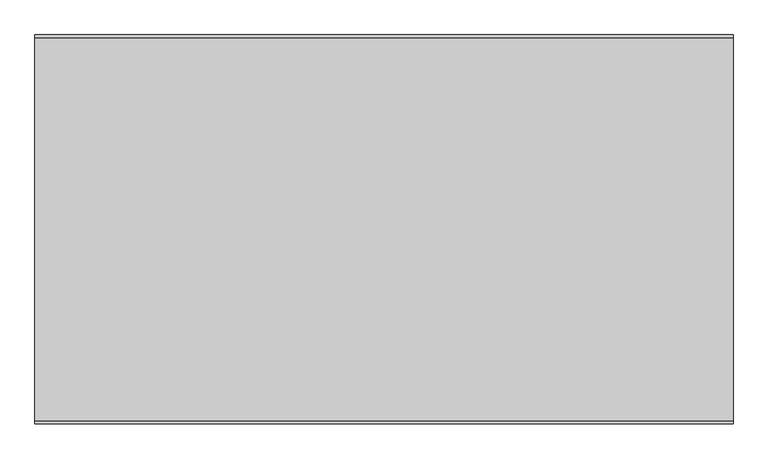
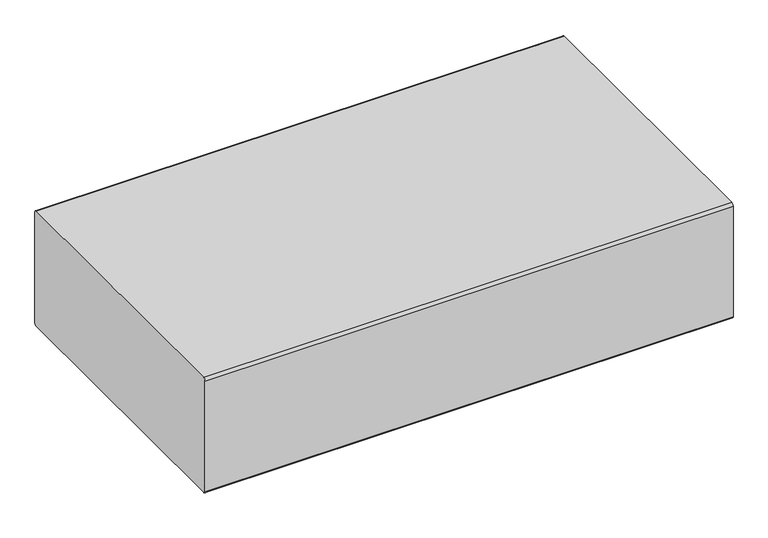
"""IFC4 building model written with IfcOpenShell, lengths in millimetres: furniture geometry."""

from ifc_helpers import new_model, si_unit, point, frame, frame_2d, origin, place, context, project, spatial, polyline, circle_curve, trimmed, segment, composite_curve, outline, extrude, faceted_brep, source, transform, mapped, element, save


def furniture_168f5087(model_context):
    return source(origin(), model_context, "Body", "SolidModel", [
        faceted_brep([(1486.637495, 327.8342493, 25.4000008), (1483.462489, 324.6592432, 25.4000008), (1483.462489, 280.2092311, 25.4000008), (1486.637495, 277.0342432, 25.4000008), (1531.087489, 277.0342432, 25.4000008), (1534.262495, 280.2092311, 25.4000008), (1534.262495, 324.6592432, 25.4000008), (1531.087489, 327.8342493, 25.4000008), (1534.262495, 331.0092372, 0.0), (1537.4374829, 327.8342493, 0.0), (1537.4374829, 277.0342432, 0.0), (1534.262495, 273.8592553, 0.0), (1483.462489, 273.8592553, 0.0), (1480.2874829, 277.0342432, 0.0), (1480.2874829, 327.8342493, 0.0), (1483.462489, 331.0092372, 0.0), (1486.637495, 327.8342493, 3.1750001), (1483.462489, 324.6592432, 3.1750001), (1483.462489, 280.2092311, 3.1750001), (1486.637495, 277.0342432, 3.1750001), (1531.087489, 277.0342432, 3.1750001), (1534.262495, 280.2092311, 3.1750001), (1534.262495, 324.6592432, 3.1750001), (1531.087489, 327.8342493, 3.1750001), (1534.262495, 331.0092372, 3.1750001), (1483.462489, 331.0092372, 3.1750001), (1480.2874829, 327.8342493, 3.1750001), (1480.2874829, 277.0342432, 3.1750001), (1483.462489, 273.8592553, 3.1750001), (1534.262495, 273.8592553, 3.1750001), (1537.4374829, 277.0342432, 3.1750001), (1537.4374829, 327.8342493, 3.1750001)], [[[0, 1, 2, 3, 4, 5, 6, 7]], [[8, 9, 10, 11, 12, 13, 14, 15]], [[1, 0, 16, 17]], [[2, 1, 17, 18]], [[3, 2, 18, 19]], [[4, 3, 19, 20]], [[5, 4, 20, 21]], [[6, 5, 21, 22]], [[7, 6, 22, 23]], [[0, 7, 23, 16]], [[24, 25, 26, 27, 28, 29, 30, 31], [17, 16, 23, 22, 21, 20, 19, 18]], [[25, 24, 8, 15]], [[26, 25, 15, 14]], [[27, 26, 14, 13]], [[28, 27, 13, 12]], [[29, 28, 12, 11]], [[30, 29, 11, 10]], [[31, 30, 10, 9]], [[24, 31, 9, 8]]]),
        faceted_brep([(261.087489, 327.8342493, 25.4000008), (257.9124829, 324.6592432, 25.4000008), (257.9124829, 280.2092311, 25.4000008), (261.087489, 277.0342432, 25.4000008), (305.5374829, 277.0342432, 25.4000008), (308.712489, 280.2092311, 25.4000008), (308.712489, 324.6592432, 25.4000008), (305.5374829, 327.8342493, 25.4000008), (308.712489, 331.0092372, 0.0), (311.8874769, 327.8342493, 0.0), (311.8874769, 277.0342432, 0.0), (308.712489, 273.8592553, 0.0), (257.9124829, 273.8592553, 0.0), (254.7374769, 277.0342432, 0.0), (254.7374769, 327.8342493, 0.0), (257.9124829, 331.0092372, 0.0), (261.087489, 327.8342493, 3.1750001), (257.9124829, 324.6592432, 3.1750001), (257.9124829, 280.2092311, 3.1750001), (261.087489, 277.0342432, 3.1750001), (305.5374829, 277.0342432, 3.1750001), (308.712489, 280.2092311, 3.1750001), (308.712489, 324.6592432, 3.1750001), (305.5374829, 327.8342493, 3.1750001), (308.712489, 331.0092372, 3.1750001), (257.9124829, 331.0092372, 3.1750001), (254.7374769, 327.8342493, 3.1750001), (254.7374769, 277.0342432, 3.1750001), (257.9124829, 273.8592553, 3.1750001), (308.712489, 273.8592553, 3.1750001), (311.8874769, 277.0342432, 3.1750001), (311.8874769, 327.8342493, 3.1750001)], [[[0, 1, 2, 3, 4, 5, 6, 7]], [[8, 9, 10, 11, 12, 13, 14, 15]], [[1, 0, 16, 17]], [[2, 1, 17, 18]], [[3, 2, 18, 19]], [[4, 3, 19, 20]], [[5, 4, 20, 21]], [[6, 5, 21, 22]], [[7, 6, 22, 23]], [[0, 7, 23, 16]], [[24, 25, 26, 27, 28, 29, 30, 31], [17, 16, 23, 22, 21, 20, 19, 18]], [[25, 24, 8, 15]], [[26, 25, 15, 14]], [[27, 26, 14, 13]], [[28, 27, 13, 12]], [[29, 28, 12, 11]], [[30, 29, 11, 10]], [[31, 30, 10, 9]], [[24, 31, 9, 8]]]),
        faceted_brep([(308.712489, -284.9407568, 3.1750001), (257.9124829, -284.9407568, 3.1750001), (254.7374769, -288.1157447, 3.1750001), (254.7374769, -338.9157507, 3.1750001), (257.9124829, -342.0907386, 3.1750001), (308.712489, -342.0907386, 3.1750001), (311.8874769, -338.9157507, 3.1750001), (311.8874769, -288.1157447, 3.1750001), (257.9124829, -291.2907507, 3.1750001), (261.087489, -288.1157447, 3.1750001), (305.5374829, -288.1157447, 3.1750001), (308.712489, -291.2907507, 3.1750001), (308.712489, -335.7407628, 3.1750001), (305.5374829, -338.9157507, 3.1750001), (261.087489, -338.9157507, 3.1750001), (257.9124829, -335.7407628, 3.1750001), (308.712489, -284.9407568, 0.0), (311.8874769, -288.1157447, 0.0), (311.8874769, -338.9157507, 0.0), (308.712489, -342.0907386, 0.0), (257.9124829, -342.0907386, 0.0), (254.7374769, -338.9157507, 0.0), (254.7374769, -288.1157447, 0.0), (257.9124829, -284.9407568, 0.0), (261.087489, -288.1157447, 25.4000008), (257.9124829, -291.2907507, 25.4000008), (257.9124829, -335.7407628, 25.4000008), (261.087489, -338.9157507, 25.4000008), (305.5374829, -338.9157507, 25.4000008), (308.712489, -335.7407628, 25.4000008), (308.712489, -291.2907507, 25.4000008), (305.5374829, -288.1157447, 25.4000008)], [[[0, 1, 2, 3, 4, 5, 6, 7], [8, 9, 10, 11, 12, 13, 14, 15]], [[16, 17, 18, 19, 20, 21, 22, 23]], [[1, 0, 16, 23]], [[2, 1, 23, 22]], [[3, 2, 22, 21]], [[4, 3, 21, 20]], [[5, 4, 20, 19]], [[6, 5, 19, 18]], [[7, 6, 18, 17]], [[0, 7, 17, 16]], [[24, 25, 26, 27, 28, 29, 30, 31]], [[25, 24, 9, 8]], [[26, 25, 8, 15]], [[27, 26, 15, 14]], [[28, 27, 14, 13]], [[29, 28, 13, 12]], [[30, 29, 12, 11]], [[31, 30, 11, 10]], [[24, 31, 10, 9]]]),
        faceted_brep([(1486.637495, -288.1157447, 25.4000008), (1483.462489, -291.2907507, 25.4000008), (1483.462489, -335.7407628, 25.4000008), (1486.637495, -338.9157507, 25.4000008), (1531.087489, -338.9157507, 25.4000008), (1534.262495, -335.7407628, 25.4000008), (1534.262495, -291.2907507, 25.4000008), (1531.087489, -288.1157447, 25.4000008), (1534.262495, -284.9407568, 0.0), (1537.4374829, -288.1157447, 0.0), (1537.4374829, -338.9157507, 0.0), (1534.262495, -342.0907386, 0.0), (1483.462489, -342.0907386, 0.0), (1480.2874829, -338.9157507, 0.0), (1480.2874829, -288.1157447, 0.0), (1483.462489, -284.9407568, 0.0), (1486.637495, -288.1157447, 3.1750001), (1483.462489, -291.2907507, 3.1750001), (1483.462489, -335.7407628, 3.1750001), (1486.637495, -338.9157507, 3.1750001), (1531.087489, -338.9157507, 3.1750001), (1534.262495, -335.7407628, 3.1750001), (1534.262495, -291.2907507, 3.1750001), (1531.087489, -288.1157447, 3.1750001), (1534.262495, -284.9407568, 3.1750001), (1483.462489, -284.9407568, 3.1750001), (1480.2874829, -288.1157447, 3.1750001), (1480.2874829, -338.9157507, 3.1750001), (1483.462489, -342.0907386, 3.1750001), (1534.262495, -342.0907386, 3.1750001), (1537.4374829, -338.9157507, 3.1750001), (1537.4374829, -288.1157447, 3.1750001)], [[[0, 1, 2, 3, 4, 5, 6, 7]], [[8, 9, 10, 11, 12, 13, 14, 15]], [[1, 0, 16, 17]], [[2, 1, 17, 18]], [[3, 2, 18, 19]], [[4, 3, 19, 20]], [[5, 4, 20, 21]], [[6, 5, 21, 22]], [[7, 6, 22, 23]], [[0, 7, 23, 16]], [[24, 25, 26, 27, 28, 29, 30, 31], [17, 16, 23, 22, 21, 20, 19, 18]], [[25, 24, 8, 15]], [[26, 25, 15, 14]], [[27, 26, 14, 13]], [[28, 27, 13, 12]], [[29, 28, 12, 11]], [[30, 29, 11, 10]], [[31, 30, 10, 9]], [[24, 31, 9, 8]]]),
        extrude(outline(composite_curve([segment(trimmed(circle_curve(frame_2d((373.7950592, 336.55)), 6.35), [point((373.7950592, 342.9))], [point((380.1450592, 336.55))], False, "CARTESIAN"), True, "CONTINUOUS"), segment(polyline([(380.1450592, 336.55), (380.1450592, 31.7500008)]), True, "CONTINUOUS"), segment(trimmed(circle_curve(frame_2d((373.7950592, 31.7500008)), 6.35), [point((380.1450592, 31.7500008))], [point((373.7950592, 25.4000008))], False, "CARTESIAN"), True, "CONTINUOUS"), segment(polyline([(373.7950592, 25.4000008), (-381.8549408, 25.4000008)]), True, "CONTINUOUS"), segment(trimmed(circle_curve(frame_2d((-381.8549408, 31.7500008)), 6.35), [point((-381.8549408, 25.4000008))], [point((-388.2049408, 31.7500008))], False, "CARTESIAN"), True, "CONTINUOUS"), segment(polyline([(-388.2049408, 31.7500008), (-388.2049408, 336.55)]), True, "CONTINUOUS"), segment(trimmed(circle_curve(frame_2d((-381.8549408, 336.55)), 6.35), [point((-388.2049408, 336.55))], [point((-381.8549408, 342.9))], False, "CARTESIAN"), True, "CONTINUOUS"), segment(polyline([(-381.8549408, 342.9), (373.7950592, 342.9)]), True, "CONTINUOUS")], self_intersect=False)), frame((206.375, 0.0, 0.0), z_axis=(1.0, 0.0, 0.0), x_axis=(0.0, 1.0, 0.0)), (0.0, 0.0, 1.0), 1377.95),
    ])


if __name__ == "__main__":
    model = new_model("IFC4")
    model_context = context("Model", 3, world=origin())
    ifc_project = project(units=[si_unit("LENGTHUNIT", "METRE", prefix="MILLI")], contexts=[model_context])
    site = spatial("IfcSite", under=ifc_project)
    building = spatial("IfcBuilding", under=site)
    placement = place(None, origin())
    furniture_shape = furniture_168f5087(model_context)
    element("IfcFurniture", 1, at=placement, inside=building, context=model_context, shape_type="MappedRepresentation", body=[
        mapped(furniture_shape, transform((0.0, 0.0, 0.0), x_axis=(1.0, 0.0, 0.0), y_axis=(0.0, 1.0, 0.0), z_axis=(0.0, 0.0, 1.0))),
    ])
    save(model, "model.ifc")
